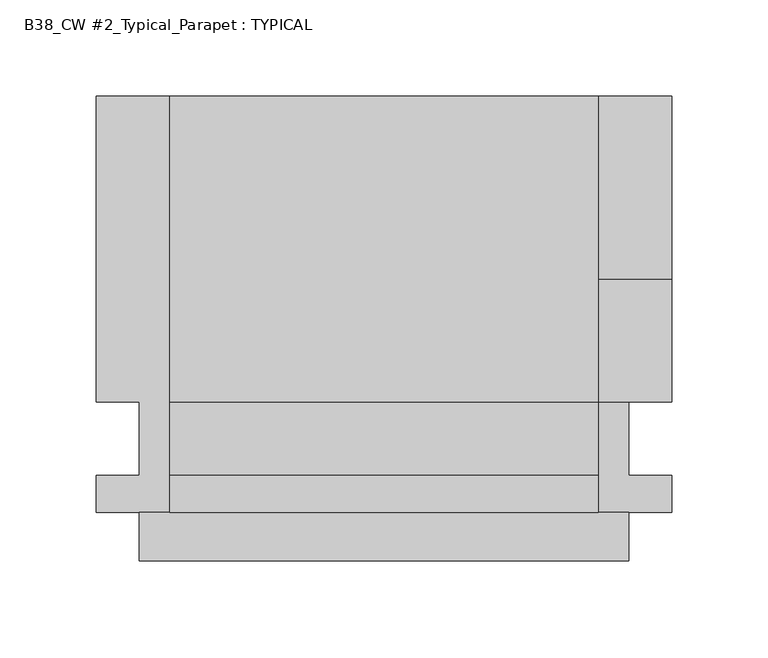
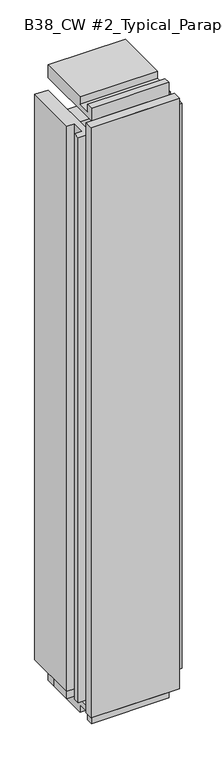
"""IFC4 building model written with IfcOpenShell, lengths in millimetres: plate geometry, B38_CW #2_Typical_Parapet : TYPICAL."""

from ifc_helpers import new_model, si_unit, frame, origin, origin_with_axes, place, context, project, spatial, polyline, outline, extrude, source, transform, mapped, element, save


def b38_cw_2_typical_parapet_typical_e9247e88(model_context):
    return source(origin(), model_context, "Body", "SweptSolid", [
        extrude(outline(polyline([(-127.0, -25.4), (127.0, -25.4), (127.0, -50.8), (-127.0, -50.8), (-127.0, -25.4)])), origin_with_axes(), (0.0, 0.0, 1.0), 1790.7),
        extrude(outline(polyline([(-50.8, -50.8), (-50.8, -25.4), (127.0, -25.4), (127.0, -50.8), (-50.8, -50.8)])), origin_with_axes(), (0.0, 0.0, 1.0), 1790.7),
        extrude(outline(polyline([(-127.0, -50.8), (-127.0, -25.4), (50.8, -25.4), (50.8, -50.8), (-127.0, -50.8)])), origin_with_axes(), (0.0, 0.0, 1.0), 1790.7),
        extrude(outline(polyline([(-149.225, 190.5), (-111.125, 190.5), (-111.125, -25.4), (-149.225, -25.4), (-149.225, -6.35), (-127.0, -6.35), (-127.0, 31.75), (-149.225, 31.75), (-149.225, 190.5)])), frame((0.0, 0.0, 38.1), z_axis=(0.0, 0.0, 1.0), x_axis=(1.0, 0.0, 0.0)), (0.0, 0.0, 1.0), 1714.5),
        extrude(outline(polyline([(-149.225, 31.75), (-149.225, 95.25), (149.225, 95.25), (149.225, 31.75), (-149.225, 31.75)])), frame((0.0, 0.0, 15.875), z_axis=(0.0, 0.0, 1.0), x_axis=(1.0, 0.0, 0.0)), (0.0, 0.0, 1.0), 1736.725),
        extrude(outline(polyline([(190.5, -38.1), (31.75, -38.1), (31.75, -15.875), (-6.35, -15.875), (-6.35, -38.1), (-25.4, -38.1), (-25.4, 0.0), (190.5, 0.0), (190.5, -38.1)])), frame((-111.125, 0.0, 0.0), z_axis=(1.0, 0.0, 0.0), x_axis=(0.0, 1.0, 0.0)), (0.0, 0.0, 1.0), 222.25),
        extrude(outline(polyline([(190.5, 1828.8), (190.5, 1790.7), (-25.4, 1790.7), (-25.4, 1828.8), (-6.35, 1828.8), (-6.35, 1806.575), (31.75, 1806.575), (31.75, 1828.8), (190.5, 1828.8)])), frame((-111.125, 0.0, 0.0), z_axis=(1.0, 0.0, 0.0), x_axis=(0.0, 1.0, 0.0)), (0.0, 0.0, 1.0), 222.25),
        extrude(outline(polyline([(149.225, 190.5), (149.225, 31.75), (127.0, 31.75), (127.0, -6.35), (149.225, -6.35), (149.225, -25.4), (111.125, -25.4), (111.125, 190.5), (149.225, 190.5)])), frame((0.0, 0.0, 38.1), z_axis=(0.0, 0.0, 1.0), x_axis=(1.0, 0.0, 0.0)), (0.0, 0.0, 1.0), 1714.5),
    ])


if __name__ == "__main__":
    model = new_model("IFC4")
    model_context = context("Model", 3, world=origin())
    ifc_project = project(units=[si_unit("LENGTHUNIT", "METRE", prefix="MILLI")], contexts=[model_context])
    site = spatial("IfcSite", under=ifc_project)
    building = spatial("IfcBuilding", under=site)
    placement = place(None, origin())
    b38_cw_2_typical_parapet_typical_shape = b38_cw_2_typical_parapet_typical_e9247e88(model_context)
    element("IfcPlate", 1, ObjectType="B38_CW #2_Typical_Parapet : TYPICAL", at=placement, inside=building, context=model_context, shape_type="MappedRepresentation", body=[
        mapped(b38_cw_2_typical_parapet_typical_shape, transform((0.0, 0.0, 0.0), x_axis=(1.0, 0.0, 0.0), y_axis=(0.0, 1.0, 0.0), z_axis=(0.0, 0.0, 1.0))),
    ])
    save(model, "model.ifc")
